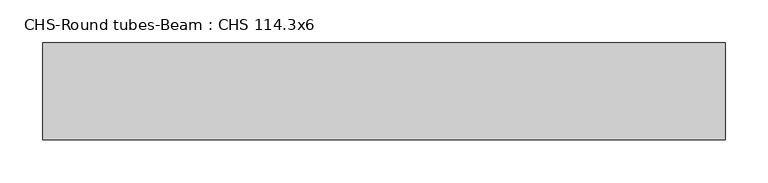
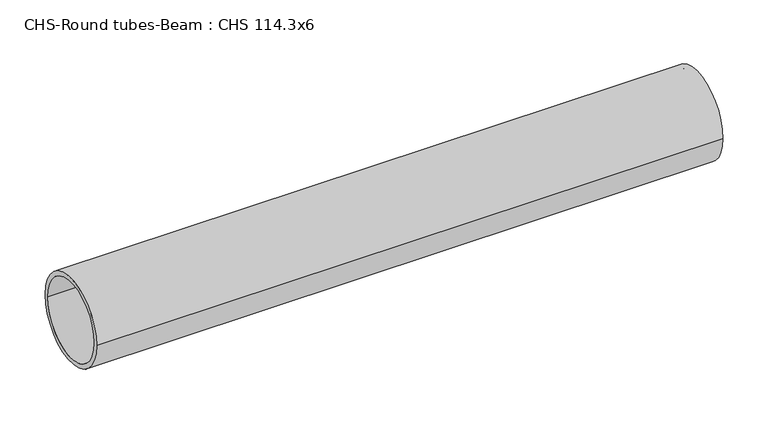
"""IFC4 building model written with IfcOpenShell, lengths in millimetres: beam geometry, CHS-Round tubes-Beam : CHS 114.3x6."""

from ifc_helpers import new_model, si_unit, point, frame, origin, origin_2d, place, context, project, spatial, circle_curve, trimmed, segment, composite_curve, outline, extrude, source, transform, mapped, element, save


def chs_round_tubes_beam_chs_114_3x6_71fa496b(model_context):
    return source(origin(), model_context, "Body", "SweptSolid", [
        extrude(outline(composite_curve([segment(trimmed(circle_curve(origin_2d(), 57.15), [point((57.15, 0.0))], [point((-57.15, 0.0))], False, "CARTESIAN"), True, "CONTINUOUS"), segment(trimmed(circle_curve(origin_2d(), 57.15), [point((-57.15, 0.0))], [point((57.15, 0.0))], False, "CARTESIAN"), True, "CONTINUOUS")], self_intersect=False), holes=[composite_curve([segment(trimmed(circle_curve(origin_2d(), 51.15), [point((51.15, 0.0))], [point((-51.15, 0.0))], True, "CARTESIAN"), True, "CONTINUOUS"), segment(trimmed(circle_curve(origin_2d(), 51.15), [point((-51.15, 0.0))], [point((51.15, 0.0))], True, "CARTESIAN"), True, "CONTINUOUS")], self_intersect=False)]), frame((-406.4073996, 0.0, 0.0), z_axis=(1.0, 0.0, 0.0), x_axis=(0.0, 1.0, 0.0)), (0.0, 0.0, 1.0), 801.6662839),
    ])


if __name__ == "__main__":
    model = new_model("IFC4")
    model_context = context("Model", 3, world=origin())
    ifc_project = project(units=[si_unit("LENGTHUNIT", "METRE", prefix="MILLI")], contexts=[model_context])
    site = spatial("IfcSite", under=ifc_project)
    building = spatial("IfcBuilding", under=site)
    placement = place(None, origin())
    chs_round_tubes_beam_chs_114_3x6_shape = chs_round_tubes_beam_chs_114_3x6_71fa496b(model_context)
    element("IfcBeam", 1, ObjectType="CHS-Round tubes-Beam : CHS 114.3x6", at=placement, inside=building, context=model_context, shape_type="MappedRepresentation", body=[
        mapped(chs_round_tubes_beam_chs_114_3x6_shape, transform((0.0, 0.0, 0.0), x_axis=(1.0, 0.0, 0.0), y_axis=(0.0, 1.0, 0.0), z_axis=(0.0, 0.0, 1.0))),
    ])
    save(model, "model.ifc")
